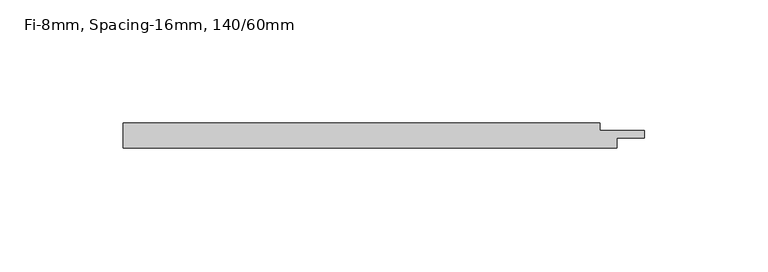
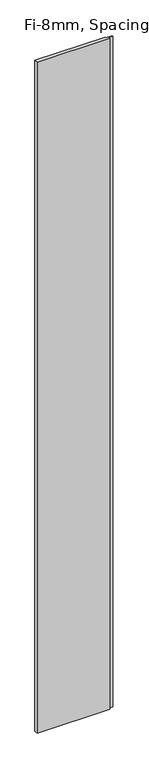
"""IFC4 building model written with IfcOpenShell, lengths in millimetres: plate geometry, Fi-8mm, Spacing-16mm, 140/60mm."""

from ifc_helpers import new_model, si_unit, origin, origin_with_axes, place, context, project, spatial, polyline, outline, extrude, source, transform, mapped, element, save


def fi_8mm_spacing_16mm_140_60mm_5859c266(model_context):
    return source(origin(), model_context, "Body", "SweptSolid", [
        extrude(outline(polyline([(-100.0, -5.0), (-100.0, 5.0), (93.0, 5.0), (93.0, 2.0), (111.0, 2.0), (111.0, -1.0), (100.0, -1.0), (100.0, -5.0), (-100.0, -5.0)])), origin_with_axes(), (0.0, 0.0, 1.0), 1951.0),
    ])


if __name__ == "__main__":
    model = new_model("IFC4")
    model_context = context("Model", 3, world=origin())
    ifc_project = project(units=[si_unit("LENGTHUNIT", "METRE", prefix="MILLI")], contexts=[model_context])
    site = spatial("IfcSite", under=ifc_project)
    building = spatial("IfcBuilding", under=site)
    placement = place(None, origin())
    fi_8mm_spacing_16mm_140_60mm_shape = fi_8mm_spacing_16mm_140_60mm_5859c266(model_context)
    element("IfcPlate", 1, ObjectType="Fi-8mm, Spacing-16mm, 140/60mm", at=placement, inside=building, context=model_context, shape_type="MappedRepresentation", body=[
        mapped(fi_8mm_spacing_16mm_140_60mm_shape, transform((0.0, 0.0, 0.0), x_axis=(1.0, 0.0, 0.0), y_axis=(0.0, 1.0, 0.0), z_axis=(0.0, 0.0, 1.0))),
    ])
    save(model, "model.ifc")
